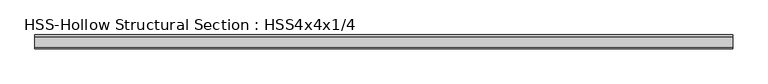
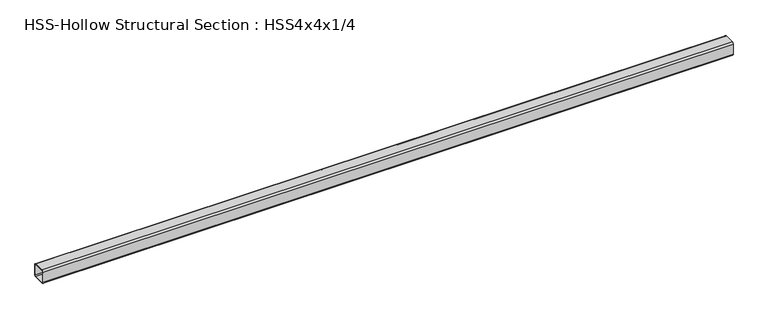
"""IFC4 building model written with IfcOpenShell, lengths in millimetres: member geometry, HSS-Hollow Structural Section : HSS4x4x1/4."""

from ifc_helpers import new_model, si_unit, point, frame, frame_2d, origin, place, context, project, spatial, polyline, circle_curve, trimmed, segment, composite_curve, outline, extrude, source, transform, mapped, element, save


def hss_hollow_structural_section_hss4x4x1_4_fb11f4ee(model_context):
    return source(origin(), model_context, "Body", "SweptSolid", [
        extrude(outline(composite_curve([segment(polyline([(50.8, 38.9636), (50.8, -38.9636)]), True, "CONTINUOUS"), segment(trimmed(circle_curve(frame_2d((38.9636, -38.9636)), 11.8364), [point((50.8, -38.9636))], [point((38.9636, -50.8))], False, "CARTESIAN"), True, "CONTINUOUS"), segment(polyline([(38.9636, -50.8), (-38.9636, -50.8)]), True, "CONTINUOUS"), segment(trimmed(circle_curve(frame_2d((-38.9636, -38.9636)), 11.8364), [point((-38.9636, -50.8))], [point((-50.8, -38.9636))], False, "CARTESIAN"), True, "CONTINUOUS"), segment(polyline([(-50.8, -38.9636), (-50.8, 38.9636)]), True, "CONTINUOUS"), segment(trimmed(circle_curve(frame_2d((-38.9636, 38.9636)), 11.8364), [point((-50.8, 38.9636))], [point((-38.9636, 50.8))], False, "CARTESIAN"), True, "CONTINUOUS"), segment(polyline([(-38.9636, 50.8), (38.9636, 50.8)]), True, "CONTINUOUS"), segment(trimmed(circle_curve(frame_2d((38.9636, 38.9636)), 11.8364), [point((38.9636, 50.8))], [point((50.8, 38.9636))], False, "CARTESIAN"), True, "CONTINUOUS")], self_intersect=False), holes=[composite_curve([segment(trimmed(circle_curve(frame_2d((-38.9636, 38.9636)), 5.9182), [point((-38.9636, 44.8818))], [point((-44.8818, 38.9636))], True, "CARTESIAN"), True, "CONTINUOUS"), segment(polyline([(-44.8818, 38.9636), (-44.8818, -38.9636)]), True, "CONTINUOUS"), segment(trimmed(circle_curve(frame_2d((-38.9636, -38.9636)), 5.9182), [point((-44.8818, -38.9636))], [point((-38.9636, -44.8818))], True, "CARTESIAN"), True, "CONTINUOUS"), segment(polyline([(-38.9636, -44.8818), (38.9636, -44.8818)]), True, "CONTINUOUS"), segment(trimmed(circle_curve(frame_2d((38.9636, -38.9636)), 5.9182), [point((38.9636, -44.8818))], [point((44.8818, -38.9636))], True, "CARTESIAN"), True, "CONTINUOUS"), segment(polyline([(44.8818, -38.9636), (44.8818, 38.9636)]), True, "CONTINUOUS"), segment(trimmed(circle_curve(frame_2d((38.9636, 38.9636)), 5.9182), [point((44.8818, 38.9636))], [point((38.9636, 44.8818))], True, "CARTESIAN"), True, "CONTINUOUS"), segment(polyline([(38.9636, 44.8818), (-38.9636, 44.8818)]), True, "CONTINUOUS")], self_intersect=False)]), frame((-2642.9372088, 0.0, 0.0), z_axis=(1.0, 0.0, 0.0), x_axis=(0.0, 1.0, 0.0)), (0.0, 0.0, 1.0), 5094.6849977),
    ])


if __name__ == "__main__":
    model = new_model("IFC4")
    model_context = context("Model", 3, world=origin())
    ifc_project = project(units=[si_unit("LENGTHUNIT", "METRE", prefix="MILLI")], contexts=[model_context])
    site = spatial("IfcSite", under=ifc_project)
    building = spatial("IfcBuilding", under=site)
    placement = place(None, origin())
    hss_hollow_structural_section_hss4x4x1_4_shape = hss_hollow_structural_section_hss4x4x1_4_fb11f4ee(model_context)
    element("IfcMember", 1, ObjectType="HSS-Hollow Structural Section : HSS4x4x1/4", at=placement, inside=building, context=model_context, shape_type="MappedRepresentation", body=[
        mapped(hss_hollow_structural_section_hss4x4x1_4_shape, transform((0.0, 0.0, 0.0), x_axis=(1.0, 0.0, 0.0), y_axis=(0.0, 1.0, 0.0), z_axis=(0.0, 0.0, 1.0))),
    ])
    save(model, "model.ifc")
